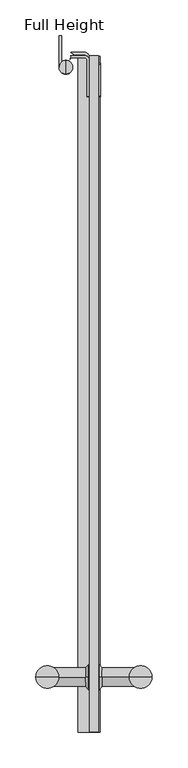
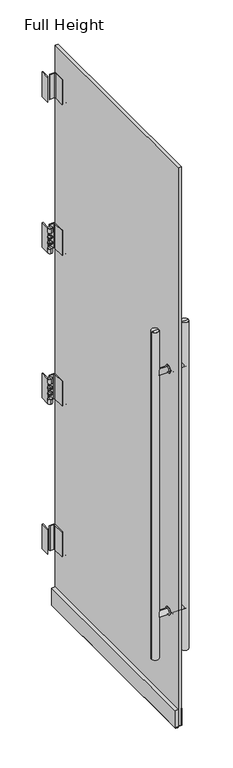
"""IFC4 building model written with IfcOpenShell, lengths in millimetres: plate geometry, Full Height."""

from ifc_helpers import new_model, si_unit, point, frame, frame_2d, origin, place, context, project, spatial, polyline, circle_curve, ellipse_curve, trimmed, segment, composite_curve, outline, extrude, source, transform, mapped, element, save
from ifc_brep_helpers import plane_surface, cylinder_surface, revolved_surface, advanced_brep


def full_height_ee386d32(model_context):
    return source(origin(), model_context, "Body", "SolidModel", [
        advanced_brep(
        [(-420.261187, -888.248974, 491.3249), (-420.261187, -888.248974, 516.7249), (-432.961187, -888.248974, 516.7249), (-432.961187, -888.248974, 491.3249), (-420.261187, -888.248974, 486.5249), (-420.261187, -888.248974, 521.5249), (-418.991187, -888.248974, 486.5249), (-418.991187, -888.248974, 521.5249), (-415.181187, -888.248974, 491.3249), (-415.181187, -888.248974, 516.7249), (-361.523687, -888.248974, 491.3249), (-361.523687, -888.248974, 516.7249), (-361.523687, -888.248974, 504.0249), (-491.698687, -888.248974, 491.3249), (-491.698687, -888.248974, 516.7249), (-491.698687, -888.248974, 504.0249), (-438.041187, -888.248974, 491.3249), (-438.041187, -888.248974, 516.7249), (-434.231187, -888.248974, 486.5249), (-434.231187, -888.248974, 521.5249), (-432.961187, -888.248974, 486.5249), (-432.961187, -888.248974, 521.5249)],
        [
            (0, 1, circle_curve(frame((-420.261187, -888.248974, 504.0249), z_axis=(-1.0, 0.0, 0.0), x_axis=(0.0, 0.0, 1.0)), 12.7)),
            (1, 2),
            (2, 3, circle_curve(frame((-432.961187, -888.248974, 504.0249), z_axis=(1.0, 0.0, 0.0), x_axis=(0.0, 0.0, 1.0)), 12.7)),
            (3, 0),
            (4, 5, circle_curve(frame((-420.261187, -888.248974, 504.0249), z_axis=(-1.0, 0.0, 0.0), x_axis=(0.0, 0.0, 1.0)), 17.5)),
            (5, 1),
            (0, 4),
            (6, 7, circle_curve(frame((-418.991187, -888.248974, 504.0249), z_axis=(-1.0, 0.0, 0.0), x_axis=(0.0, 0.0, 1.0)), 17.5)),
            (7, 5),
            (4, 6),
            (7, 6, circle_curve(frame((-418.991187, -888.248974, 504.0249), z_axis=(-1.0, 0.0, 0.0), x_axis=(0.0, 0.0, 1.0)), 17.5)),
            (4, 5, circle_curve(frame((-420.261187, -888.248974, 504.0249), z_axis=(1.0, 0.0, 0.0), x_axis=(0.0, 0.0, 1.0)), 17.5)),
            (8, 9, circle_curve(frame((-415.181187, -888.248974, 504.0249), z_axis=(-1.0, 0.0, 0.0), x_axis=(0.0, 0.0, 1.0)), 12.7)),
            (9, 7),
            (6, 8),
            (9, 8, circle_curve(frame((-415.181187, -888.248974, 504.0249), z_axis=(-1.0, 0.0, 0.0), x_axis=(0.0, 0.0, 1.0)), 12.7)),
            (10, 11, circle_curve(frame((-361.523687, -888.248974, 504.0249), z_axis=(-1.0, 0.0, 0.0), x_axis=(0.0, 0.0, 1.0)), 12.7)),
            (11, 9),
            (8, 10),
            (11, 10, circle_curve(frame((-361.523687, -888.248974, 504.0249), z_axis=(-1.0, 0.0, 0.0), x_axis=(0.0, 0.0, 1.0)), 12.7)),
            (12, 10),
            (11, 12),
            (13, 14, circle_curve(frame((-491.698687, -888.248974, 504.0249), z_axis=(-1.0, 0.0, 0.0), x_axis=(0.0, 0.0, 1.0)), 12.7)),
            (14, 15),
            (15, 13),
            (14, 13, circle_curve(frame((-491.698687, -888.248974, 504.0249), z_axis=(-1.0, 0.0, 0.0), x_axis=(0.0, 0.0, 1.0)), 12.7)),
            (16, 17, circle_curve(frame((-438.041187, -888.248974, 504.0249), z_axis=(-1.0, 0.0, 0.0), x_axis=(0.0, 0.0, 1.0)), 12.7)),
            (17, 14),
            (13, 16),
            (17, 16, circle_curve(frame((-438.041187, -888.248974, 504.0249), z_axis=(-1.0, 0.0, 0.0), x_axis=(0.0, 0.0, 1.0)), 12.7)),
            (18, 19, circle_curve(frame((-434.231187, -888.248974, 504.0249), z_axis=(-1.0, 0.0, 0.0), x_axis=(0.0, 0.0, 1.0)), 17.5)),
            (19, 17),
            (16, 18),
            (19, 18, circle_curve(frame((-434.231187, -888.248974, 504.0249), z_axis=(-1.0, 0.0, 0.0), x_axis=(0.0, 0.0, 1.0)), 17.5)),
            (20, 21, circle_curve(frame((-432.961187, -888.248974, 504.0249), z_axis=(-1.0, 0.0, 0.0), x_axis=(0.0, 0.0, 1.0)), 17.5)),
            (21, 19),
            (18, 20),
            (21, 20, circle_curve(frame((-432.961187, -888.248974, 504.0249), z_axis=(-1.0, 0.0, 0.0), x_axis=(0.0, 0.0, 1.0)), 17.5)),
            (2, 21),
            (20, 3),
            (2, 3, circle_curve(frame((-432.961187, -888.248974, 504.0249), z_axis=(-1.0, 0.0, 0.0), x_axis=(0.0, 0.0, 1.0)), 12.7)),
            (1, 0, circle_curve(frame((-420.261187, -888.248974, 504.0249), z_axis=(-1.0, 0.0, 0.0), x_axis=(0.0, 0.0, 1.0)), 12.7)),
        ],
        [
            cylinder_surface(frame((-361.523687, -888.248974, 504.0249), z_axis=(1.0, 0.0, 0.0), x_axis=(0.0, 0.0, 1.0)), 12.7),
            plane_surface(frame((-420.261187, -888.248974, 504.0249), z_axis=(-1.0, 0.0, 0.0), x_axis=(0.0, 0.0, 1.0))),
            cylinder_surface(frame((-361.523687, -888.248974, 504.0249), z_axis=(1.0, 0.0, 0.0), x_axis=(0.0, 0.0, 1.0)), 17.5),
            revolved_surface(polyline([(-418.991187, -888.248974, 521.5249), (-415.181187, -888.248974, 516.7249)]), (-361.523687, -888.248974, 504.0249), (1.0, 0.0, 0.0)),
            plane_surface(frame((-361.523687, -888.248974, 504.0249), z_axis=(1.0, 0.0, 0.0), x_axis=(0.0, 0.0, 1.0))),
            plane_surface(frame((-491.698687, -888.248974, 504.0249), z_axis=(-1.0, 0.0, 0.0), x_axis=(0.0, 0.0, 1.0))),
            revolved_surface(polyline([(-438.041187, -888.248974, 516.7249), (-434.231187, -888.248974, 521.5249)]), (-361.523687, -888.248974, 504.0249), (1.0, 0.0, 0.0)),
            plane_surface(frame((-432.961187, -888.248974, 504.0249), z_axis=(1.0, 0.0, 0.0), x_axis=(0.0, 0.0, 1.0))),
        ],
        [
            (0, [[1, 2, 3, 4]]),
            (1, [[5, 6, -1, 7]]),
            (2, [[8, 9, -5, 10]]),
            (2, [[11, -10, 12, -9]]),
            (3, [[13, 14, -8, 15]]),
            (3, [[16, -15, -11, -14]]),
            (0, [[17, 18, -13, 19]]),
            (0, [[20, -19, -16, -18]]),
            (4, [[21, -20, 22]]),
            (5, [[23, 24, 25]]),
            (5, [[26, -25, -24]]),
            (0, [[27, 28, -23, 29]]),
            (0, [[30, -29, -26, -28]]),
            (6, [[31, 32, -27, 33]]),
            (6, [[34, -33, -30, -32]]),
            (2, [[35, 36, -31, 37]]),
            (2, [[38, -37, -34, -36]]),
            (7, [[-3, 39, -35, 40]]),
            (7, [[41, -40, -38, -39]]),
            (0, [[42, -4, -41, -2]]),
            (1, [[-12, -7, -42, -6]]),
            (4, [[-22, -17, -21]]),
        ],
    ),
        advanced_brep(
        [(-418.991187, -888.248974, 1647.0751), (-418.991187, -888.248974, 1612.0751), (-415.181187, -888.248974, 1616.8751), (-415.181187, -888.248974, 1642.2751), (-420.261187, -888.248974, 1616.8751), (-420.261187, -888.248974, 1642.2751), (-420.261187, -888.248974, 1647.0751), (-420.261187, -888.248974, 1612.0751), (-432.961187, -888.248974, 1612.0751), (-432.961187, -888.248974, 1647.0751), (-432.961187, -888.248974, 1642.2751), (-432.961187, -888.248974, 1616.8751), (-491.698687, -888.248974, 1616.8751), (-491.698687, -888.248974, 1642.2751), (-438.041187, -888.248974, 1642.2751), (-438.041187, -888.248974, 1616.8751), (-491.698687, -888.248974, 1629.5751), (-361.523687, -888.248974, 1616.8751), (-361.523687, -888.248974, 1642.2751), (-361.523687, -888.248974, 1629.5751), (-434.231187, -888.248974, 1647.0751), (-434.231187, -888.248974, 1612.0751)],
        [
            (0, 1, circle_curve(frame((-418.991187, -888.248974, 1629.5751), z_axis=(1.0, 0.0, 0.0), x_axis=(0.0, 0.0, -1.0)), 17.5)),
            (1, 2),
            (2, 3, circle_curve(frame((-415.181187, -888.248974, 1629.5751), z_axis=(-1.0, 0.0, 0.0), x_axis=(0.0, 0.0, -1.0)), 12.7)),
            (3, 0),
            (4, 5, circle_curve(frame((-420.261187, -888.248974, 1629.5751), z_axis=(1.0, 0.0, 0.0), x_axis=(0.0, 0.0, -1.0)), 12.7)),
            (5, 6),
            (6, 7, circle_curve(frame((-420.261187, -888.248974, 1629.5751), z_axis=(-1.0, 0.0, 0.0), x_axis=(0.0, 0.0, -1.0)), 17.5)),
            (7, 4),
            (8, 9, circle_curve(frame((-432.961187, -888.248974, 1629.5751), z_axis=(1.0, 0.0, 0.0), x_axis=(0.0, 0.0, -1.0)), 17.5)),
            (9, 10),
            (10, 11, circle_curve(frame((-432.961187, -888.248974, 1629.5751), z_axis=(-1.0, 0.0, 0.0), x_axis=(0.0, 0.0, -1.0)), 12.7)),
            (11, 8),
            (12, 13, circle_curve(frame((-491.698687, -888.248974, 1629.5751), z_axis=(1.0, 0.0, 0.0), x_axis=(0.0, 0.0, -1.0)), 12.7)),
            (13, 14),
            (14, 15, circle_curve(frame((-438.041187, -888.248974, 1629.5751), z_axis=(-1.0, 0.0, 0.0), x_axis=(0.0, 0.0, -1.0)), 12.7)),
            (15, 12),
            (16, 12),
            (12, 13, circle_curve(frame((-491.698687, -888.248974, 1629.5751), z_axis=(-1.0, 0.0, 0.0), x_axis=(0.0, 0.0, -1.0)), 12.7)),
            (13, 16),
            (17, 18, circle_curve(frame((-361.523687, -888.248974, 1629.5751), z_axis=(1.0, 0.0, 0.0), x_axis=(0.0, 0.0, -1.0)), 12.7)),
            (18, 19),
            (19, 17),
            (5, 4, circle_curve(frame((-420.261187, -888.248974, 1629.5751), z_axis=(1.0, 0.0, 0.0), x_axis=(0.0, 0.0, -1.0)), 12.7)),
            (7, 6, circle_curve(frame((-420.261187, -888.248974, 1629.5751), z_axis=(-1.0, 0.0, 0.0), x_axis=(0.0, 0.0, -1.0)), 17.5)),
            (18, 17, circle_curve(frame((-361.523687, -888.248974, 1629.5751), z_axis=(1.0, 0.0, 0.0), x_axis=(0.0, 0.0, -1.0)), 12.7)),
            (2, 17),
            (18, 3),
            (2, 3, circle_curve(frame((-415.181187, -888.248974, 1629.5751), z_axis=(1.0, 0.0, 0.0), x_axis=(0.0, 0.0, -1.0)), 12.7)),
            (1, 0, circle_curve(frame((-418.991187, -888.248974, 1629.5751), z_axis=(1.0, 0.0, 0.0), x_axis=(0.0, 0.0, -1.0)), 17.5)),
            (7, 1),
            (0, 6),
            (10, 11, circle_curve(frame((-432.961187, -888.248974, 1629.5751), z_axis=(1.0, 0.0, 0.0), x_axis=(0.0, 0.0, -1.0)), 12.7)),
            (11, 4),
            (5, 10),
            (9, 8, circle_curve(frame((-432.961187, -888.248974, 1629.5751), z_axis=(1.0, 0.0, 0.0), x_axis=(0.0, 0.0, -1.0)), 17.5)),
            (20, 21, circle_curve(frame((-434.231187, -888.248974, 1629.5751), z_axis=(1.0, 0.0, 0.0), x_axis=(0.0, 0.0, -1.0)), 17.5)),
            (21, 8),
            (9, 20),
            (21, 20, circle_curve(frame((-434.231187, -888.248974, 1629.5751), z_axis=(1.0, 0.0, 0.0), x_axis=(0.0, 0.0, -1.0)), 17.5)),
            (14, 15, circle_curve(frame((-438.041187, -888.248974, 1629.5751), z_axis=(1.0, 0.0, 0.0), x_axis=(0.0, 0.0, -1.0)), 12.7)),
            (15, 21),
            (20, 14),
        ],
        [
            revolved_surface(polyline([(-415.181187, -888.248974, 1616.8751), (-418.991187, -888.248974, 1612.0751)]), (-361.523687, -888.248974, 1629.5751), (-1.0, 0.0, 0.0)),
            plane_surface(frame((-420.261187, -888.248974, 1629.5751), z_axis=(-1.0, 0.0, 0.0), x_axis=(0.0, 0.0, -1.0))),
            plane_surface(frame((-432.961187, -888.248974, 1629.5751), z_axis=(1.0, 0.0, 0.0), x_axis=(0.0, 0.0, -1.0))),
            cylinder_surface(frame((-361.523687, -888.248974, 1629.5751), z_axis=(-1.0, 0.0, 0.0), x_axis=(0.0, 0.0, -1.0)), 12.7),
            plane_surface(frame((-491.698687, -888.248974, 1629.5751), z_axis=(-1.0, 0.0, 0.0), x_axis=(0.0, 0.0, -1.0))),
            plane_surface(frame((-361.523687, -888.248974, 1629.5751), z_axis=(1.0, 0.0, 0.0), x_axis=(0.0, 0.0, -1.0))),
            cylinder_surface(frame((-361.523687, -888.248974, 1629.5751), z_axis=(-1.0, 0.0, 0.0), x_axis=(0.0, 0.0, -1.0)), 17.5),
            revolved_surface(polyline([(-434.231187, -888.248974, 1612.0751), (-438.041187, -888.248974, 1616.8751)]), (-361.523687, -888.248974, 1629.5751), (-1.0, 0.0, 0.0)),
        ],
        [
            (0, [[1, 2, 3, 4]]),
            (1, [[5, 6, 7, 8]]),
            (2, [[9, 10, 11, 12]]),
            (3, [[13, 14, 15, 16]]),
            (4, [[17, 18, 19]]),
            (4, [[-19, -13, -17]]),
            (5, [[20, 21, 22]]),
            (1, [[23, -8, 24, -6]]),
            (5, [[25, -22, -21]]),
            (3, [[-3, 26, -25, 27]]),
            (3, [[28, -27, -20, -26]]),
            (0, [[29, -4, -28, -2]]),
            (6, [[-24, 30, -1, 31]]),
            (6, [[-7, -31, -29, -30]]),
            (3, [[32, 33, -23, 34]]),
            (3, [[-11, -34, -5, -33]]),
            (2, [[35, -12, -32, -10]]),
            (6, [[36, 37, -35, 38]]),
            (6, [[39, -38, -9, -37]]),
            (7, [[40, 41, -36, 42]]),
            (7, [[-15, -42, -39, -41]]),
            (3, [[-18, -16, -40, -14]]),
        ],
    ),
        advanced_brep(
        [(-475.823687, -888.248974, 1828.8), (-507.573687, -888.248974, 1828.8), (-491.698687, -888.248974, 1828.8), (-475.823687, -888.248974, 304.8), (-507.573687, -888.248974, 304.8), (-491.698687, -888.248974, 304.8)],
        [
            (0, 1, circle_curve(frame((-491.698687, -888.248974, 1828.8), z_axis=(0.0, 0.0, 1.0), x_axis=(1.0, 0.0, 0.0)), 15.875)),
            (1, 2),
            (2, 0),
            (3, 4, circle_curve(frame((-491.698687, -888.248974, 304.8), z_axis=(0.0, 0.0, 1.0), x_axis=(1.0, 0.0, 0.0)), 15.875)),
            (4, 1),
            (0, 3),
            (1, 0, circle_curve(frame((-491.698687, -888.248974, 1828.8), z_axis=(0.0, 0.0, 1.0), x_axis=(1.0, 0.0, 0.0)), 15.875)),
            (5, 3),
            (3, 4, circle_curve(frame((-491.698687, -888.248974, 304.8), z_axis=(0.0, 0.0, -1.0), x_axis=(1.0, 0.0, 0.0)), 15.875)),
            (4, 5),
        ],
        [
            plane_surface(frame((-491.698687, -888.248974, 1828.8), z_axis=(0.0, 0.0, 1.0), x_axis=(1.0, 0.0, 0.0))),
            cylinder_surface(frame((-491.698687, -888.248974, 304.8), z_axis=(0.0, 0.0, -1.0), x_axis=(1.0, 0.0, 0.0)), 15.875),
            plane_surface(frame((-491.698687, -888.248974, 304.8), z_axis=(0.0, 0.0, -1.0), x_axis=(1.0, 0.0, 0.0))),
        ],
        [
            (0, [[1, 2, 3]]),
            (1, [[4, 5, -1, 6]]),
            (0, [[7, -3, -2]]),
            (2, [[8, 9, 10]]),
            (1, [[-9, -6, -7, -5]]),
            (2, [[-10, -4, -8]]),
        ],
    ),
        advanced_brep(
        [(-345.648687, -888.248974, 1828.8), (-377.398687, -888.248974, 1828.8), (-361.523687, -888.248974, 1828.8), (-377.398687, -888.248974, 304.8), (-345.648687, -888.248974, 304.8), (-361.523687, -888.248974, 304.8)],
        [
            (0, 1, circle_curve(frame((-361.523687, -888.248974, 1828.8), z_axis=(0.0, 0.0, 1.0), x_axis=(1.0, 0.0, 0.0)), 15.875)),
            (1, 2),
            (2, 0),
            (3, 4, circle_curve(frame((-361.523687, -888.248974, 304.8), z_axis=(0.0, 0.0, 1.0), x_axis=(1.0, 0.0, 0.0)), 15.875)),
            (4, 0),
            (0, 1, circle_curve(frame((-361.523687, -888.248974, 1828.8), z_axis=(0.0, 0.0, -1.0), x_axis=(1.0, 0.0, 0.0)), 15.875)),
            (1, 3),
            (4, 3, circle_curve(frame((-361.523687, -888.248974, 304.8), z_axis=(0.0, 0.0, 1.0), x_axis=(1.0, 0.0, 0.0)), 15.875)),
            (5, 4),
            (3, 5),
        ],
        [
            plane_surface(frame((-361.523687, -888.248974, 1828.8), z_axis=(0.0, 0.0, 1.0), x_axis=(1.0, 0.0, 0.0))),
            cylinder_surface(frame((-361.523687, -888.248974, 304.8), z_axis=(0.0, 0.0, -1.0), x_axis=(1.0, 0.0, 0.0)), 15.875),
            plane_surface(frame((-361.523687, -888.248974, 304.8), z_axis=(0.0, 0.0, -1.0), x_axis=(1.0, 0.0, 0.0))),
        ],
        [
            (0, [[1, 2, 3]]),
            (1, [[4, 5, 6, 7]]),
            (0, [[-6, -3, -2]]),
            (1, [[8, -7, -1, -5]]),
            (2, [[9, -4, 10]]),
            (2, [[-10, -8, -9]]),
        ],
    ),
        extrude(outline(composite_curve([segment(polyline([(10.668, -446.931187), (8.382, -446.931187)]), True, "CONTINUOUS"), segment(trimmed(circle_curve(frame_2d((8.382, -444.899187)), 2.032), [point((8.382, -446.931187))], [point((6.35, -444.899187))], False, "CARTESIAN"), True, "CONTINUOUS"), segment(polyline([(6.35, -444.899187), (6.35, -434.993187)]), True, "CONTINUOUS"), segment(trimmed(circle_curve(frame_2d((8.382, -434.993187)), 2.032), [point((6.35, -434.993187))], [point((8.382, -432.961187))], False, "CARTESIAN"), True, "CONTINUOUS"), segment(polyline([(8.382, -432.961187), (10.668, -432.961187), (10.668, -446.931187)]), True, "CONTINUOUS")], self_intersect=False)), frame((0.0, -964.448974, 0.0), z_axis=(0.0, 1.0, 0.0), x_axis=(0.0, 0.0, 1.0)), (0.0, 0.0, 1.0), 939.785574),
        extrude(outline(polyline([(90.932, -420.261187), (12.7, -420.261187), (12.7, -432.961187), (90.932, -432.961187), (90.932, -448.963187), (10.668, -448.963187), (10.668, -418.229187), (90.932, -418.229187), (90.932, -420.261187)])), frame((0.0, -964.448974, 0.0), z_axis=(0.0, 1.0, 0.0), x_axis=(0.0, 0.0, 1.0)), (0.0, 0.0, 1.0), 939.785574),
        extrude(outline(composite_curve([segment(trimmed(circle_curve(frame_2d((-80.0354, 1782.4873333)), 1.27), [point((-81.3054, 1782.4873333))], [point((-80.0354, 1783.7573333))], False, "CARTESIAN"), True, "CONTINUOUS"), segment(polyline([(-80.0354, 1783.7573333), (-36.576, 1783.7573333)]), True, "CONTINUOUS"), segment(trimmed(circle_curve(frame_2d((-36.576, 1782.4873333)), 1.27), [point((-36.576, 1783.7573333))], [point((-35.306, 1782.4873333))], False, "CARTESIAN"), True, "CONTINUOUS"), segment(polyline([(-35.306, 1782.4873333), (-35.306, 1670.7273333)]), True, "CONTINUOUS"), segment(trimmed(circle_curve(frame_2d((-36.576, 1670.7273333)), 1.27), [point((-35.306, 1670.7273333))], [point((-36.576, 1669.4573333))], False, "CARTESIAN"), True, "CONTINUOUS"), segment(polyline([(-36.576, 1669.4573333), (-80.0354, 1669.4573333)]), True, "CONTINUOUS"), segment(trimmed(circle_curve(frame_2d((-80.0354, 1670.7273333)), 1.27), [point((-80.0354, 1669.4573333))], [point((-81.3054, 1670.7273333))], False, "CARTESIAN"), True, "CONTINUOUS"), segment(polyline([(-81.3054, 1670.7273333), (-81.3054, 1782.4873333)]), True, "CONTINUOUS")], self_intersect=False)), frame((-420.261187, 0.0, 0.0), z_axis=(1.0, 0.0, 0.0), x_axis=(0.0, 1.0, 0.0)), (0.0, 0.0, 1.0), 3.048),
        extrude(outline(composite_curve([segment(polyline([(-81.3054, 969.3486667), (-81.3054, 1081.1086667)]), True, "CONTINUOUS"), segment(trimmed(circle_curve(frame_2d((-80.0354, 1081.1086667)), 1.27), [point((-81.3054, 1081.1086667))], [point((-80.0354, 1082.3786667))], False, "CARTESIAN"), True, "CONTINUOUS"), segment(polyline([(-80.0354, 1082.3786667), (-36.576, 1082.3786667)]), True, "CONTINUOUS"), segment(trimmed(circle_curve(frame_2d((-36.576, 1081.1086667)), 1.27), [point((-36.576, 1082.3786667))], [point((-35.306, 1081.1086667))], False, "CARTESIAN"), True, "CONTINUOUS"), segment(polyline([(-35.306, 1081.1086667), (-35.306, 969.3486667)]), True, "CONTINUOUS"), segment(trimmed(circle_curve(frame_2d((-36.576, 969.3486667)), 1.27), [point((-35.306, 969.3486667))], [point((-36.576, 968.0786667))], False, "CARTESIAN"), True, "CONTINUOUS"), segment(polyline([(-36.576, 968.0786667), (-80.0354, 968.0786667)]), True, "CONTINUOUS"), segment(trimmed(circle_curve(frame_2d((-80.0354, 969.3486667)), 1.27), [point((-80.0354, 968.0786667))], [point((-81.3054, 969.3486667))], False, "CARTESIAN"), True, "CONTINUOUS")], self_intersect=False)), frame((-420.261187, 0.0, 0.0), z_axis=(1.0, 0.0, 0.0), x_axis=(0.0, 1.0, 0.0)), (0.0, 0.0, 1.0), 3.048),
        extrude(outline(composite_curve([segment(trimmed(circle_curve(frame_2d((-463.542787, -27.8384)), 9.525), [point((-455.1729571, -23.2918))], [point((-458.2968415, -19.8882))], True, "CARTESIAN"), True, "CONTINUOUS"), segment(polyline([(-458.2968415, -19.8882), (-439.793787, -19.8882)]), True, "CONTINUOUS"), segment(trimmed(circle_curve(frame_2d((-439.793787, -26.7208)), 6.8326), [point((-439.793787, -19.8882))], [point((-432.961187, -26.7208))], False, "CARTESIAN"), True, "CONTINUOUS"), segment(polyline([(-432.961187, -26.7208), (-432.961187, -81.3054), (-436.364787, -81.3054), (-436.364787, -26.7208)]), True, "CONTINUOUS"), segment(trimmed(circle_curve(frame_2d((-439.793787, -26.7208)), 3.429), [point((-436.364787, -26.7208))], [point((-439.793787, -23.2918))], True, "CARTESIAN"), True, "CONTINUOUS"), segment(polyline([(-439.793787, -23.2918), (-455.1729571, -23.2918)]), True, "CONTINUOUS")], self_intersect=False)), frame((0.0, 0.0, 968.0786667), z_axis=(0.0, 0.0, 1.0), x_axis=(1.0, 0.0, 0.0)), (0.0, 0.0, 1.0), 114.3),
        extrude(outline(composite_curve([segment(polyline([(-436.364787, -81.3054), (-436.364787, -26.7208)]), True, "CONTINUOUS"), segment(trimmed(circle_curve(frame_2d((-439.793787, -26.7208)), 3.429), [point((-436.364787, -26.7208))], [point((-439.793787, -23.2918))], True, "CARTESIAN"), True, "CONTINUOUS"), segment(polyline([(-439.793787, -23.2918), (-455.1729571, -23.2918)]), True, "CONTINUOUS"), segment(trimmed(circle_curve(frame_2d((-463.542787, -27.8384)), 9.525), [point((-455.1729571, -23.2918))], [point((-458.2968415, -19.8882))], True, "CARTESIAN"), True, "CONTINUOUS"), segment(polyline([(-458.2968415, -19.8882), (-439.793787, -19.8882)]), True, "CONTINUOUS"), segment(trimmed(circle_curve(frame_2d((-439.793787, -26.7208)), 6.8326), [point((-439.793787, -19.8882))], [point((-432.961187, -26.7208))], False, "CARTESIAN"), True, "CONTINUOUS"), segment(polyline([(-432.961187, -26.7208), (-432.961187, -81.3054), (-436.364787, -81.3054)]), True, "CONTINUOUS")], self_intersect=False)), frame((0.0, 0.0, 1669.4573333), z_axis=(0.0, 0.0, 1.0), x_axis=(1.0, 0.0, 0.0)), (0.0, 0.0, 1.0), 114.3),
        extrude(outline(composite_curve([segment(polyline([(-458.8847263, -24.6634), (-439.057187, -24.6634)]), True, "CONTINUOUS"), segment(trimmed(circle_curve(frame_2d((-439.057187, -30.7594)), 6.096), [point((-439.057187, -24.6634))], [point((-432.961187, -30.7594))], False, "CARTESIAN"), True, "CONTINUOUS"), segment(polyline([(-432.961187, -30.7594), (-432.961187, -81.3054), (-436.009187, -81.3054), (-436.009187, -30.7594)]), True, "CONTINUOUS"), segment(trimmed(circle_curve(frame_2d((-439.057187, -30.7594)), 3.048), [point((-436.009187, -30.7594))], [point((-439.057187, -27.7114))], True, "CARTESIAN"), True, "CONTINUOUS"), segment(polyline([(-439.057187, -27.7114), (-456.8932891, -27.7114)]), True, "CONTINUOUS"), segment(trimmed(circle_curve(frame_2d((-456.8932891, -31.5214)), 3.81), [point((-456.8932891, -27.7114))], [point((-460.0546256, -29.3948884))], True, "CARTESIAN"), True, "CONTINUOUS"), segment(trimmed(circle_curve(frame_2d((-465.955787, -25.4254)), 7.112), [point((-460.0546256, -29.3948884))], [point((-458.8847263, -24.6634))], True, "CARTESIAN"), True, "CONTINUOUS")], self_intersect=False)), frame((0.0, 0.0, 2370.836), z_axis=(0.0, 0.0, 1.0), x_axis=(1.0, 0.0, 0.0)), (0.0, 0.0, 1.0), 114.3),
        extrude(outline(composite_curve([segment(trimmed(circle_curve(frame_2d((-36.576, 379.73)), 1.27), [point((-36.576, 381.0))], [point((-35.306, 379.73))], False, "CARTESIAN"), True, "CONTINUOUS"), segment(polyline([(-35.306, 379.73), (-35.306, 267.97)]), True, "CONTINUOUS"), segment(trimmed(circle_curve(frame_2d((-36.576, 267.97)), 1.27), [point((-35.306, 267.97))], [point((-36.576, 266.7))], False, "CARTESIAN"), True, "CONTINUOUS"), segment(polyline([(-36.576, 266.7), (-80.0354, 266.7)]), True, "CONTINUOUS"), segment(trimmed(circle_curve(frame_2d((-80.0354, 267.97)), 1.27), [point((-80.0354, 266.7))], [point((-81.3054, 267.97))], False, "CARTESIAN"), True, "CONTINUOUS"), segment(polyline([(-81.3054, 267.97), (-81.3054, 379.73)]), True, "CONTINUOUS"), segment(trimmed(circle_curve(frame_2d((-80.0354, 379.73)), 1.27), [point((-81.3054, 379.73))], [point((-80.0354, 381.0))], False, "CARTESIAN"), True, "CONTINUOUS"), segment(polyline([(-80.0354, 381.0), (-36.576, 381.0)]), True, "CONTINUOUS")], self_intersect=False)), frame((-420.261187, 0.0, 0.0), z_axis=(1.0, 0.0, 0.0), x_axis=(0.0, 1.0, 0.0)), (0.0, 0.0, 1.0), 3.048),
        extrude(outline(composite_curve([segment(trimmed(circle_curve(frame_2d((-36.576, 2483.866)), 1.27), [point((-36.576, 2485.136))], [point((-35.306, 2483.866))], False, "CARTESIAN"), True, "CONTINUOUS"), segment(polyline([(-35.306, 2483.866), (-35.306, 2372.106)]), True, "CONTINUOUS"), segment(trimmed(circle_curve(frame_2d((-36.576, 2372.106)), 1.27), [point((-35.306, 2372.106))], [point((-36.576, 2370.836))], False, "CARTESIAN"), True, "CONTINUOUS"), segment(polyline([(-36.576, 2370.836), (-80.0354, 2370.836)]), True, "CONTINUOUS"), segment(trimmed(circle_curve(frame_2d((-80.0354, 2372.106)), 1.27), [point((-80.0354, 2370.836))], [point((-81.3054, 2372.106))], False, "CARTESIAN"), True, "CONTINUOUS"), segment(polyline([(-81.3054, 2372.106), (-81.3054, 2483.866)]), True, "CONTINUOUS"), segment(trimmed(circle_curve(frame_2d((-80.0354, 2483.866)), 1.27), [point((-81.3054, 2483.866))], [point((-80.0354, 2485.136))], False, "CARTESIAN"), True, "CONTINUOUS"), segment(polyline([(-80.0354, 2485.136), (-36.576, 2485.136)]), True, "CONTINUOUS")], self_intersect=False)), frame((-420.261187, 0.0, 0.0), z_axis=(1.0, 0.0, 0.0), x_axis=(0.0, 1.0, 0.0)), (0.0, 0.0, 1.0), 3.048),
        extrude(outline(composite_curve([segment(trimmed(circle_curve(frame_2d((-439.793787, -26.7208)), 6.8326), [point((-439.793787, -19.8882))], [point((-432.961187, -26.7208))], False, "CARTESIAN"), True, "CONTINUOUS"), segment(polyline([(-432.961187, -26.7208), (-432.961187, -81.3054), (-436.364787, -81.3054), (-436.364787, -26.7208)]), True, "CONTINUOUS"), segment(trimmed(circle_curve(frame_2d((-439.793787, -26.7208)), 3.429), [point((-436.364787, -26.7208))], [point((-439.793787, -23.2918))], True, "CARTESIAN"), True, "CONTINUOUS"), segment(polyline([(-439.793787, -23.2918), (-455.1729571, -23.2918)]), True, "CONTINUOUS"), segment(trimmed(circle_curve(frame_2d((-463.542787, -27.8384)), 9.525), [point((-455.1729571, -23.2918))], [point((-458.2968415, -19.8882))], True, "CARTESIAN"), True, "CONTINUOUS"), segment(polyline([(-458.2968415, -19.8882), (-439.793787, -19.8882)]), True, "CONTINUOUS")], self_intersect=False)), frame((0.0, 0.0, 266.7), z_axis=(0.0, 0.0, 1.0), x_axis=(1.0, 0.0, 0.0)), (0.0, 0.0, 1.0), 114.3),
        extrude(outline(polyline([(-432.961187, -964.448974), (-432.961187, -24.6634), (-420.261187, -24.6634), (-420.261187, -964.448974), (-432.961187, -964.448974)])), frame((0.0, 0.0, 12.7), z_axis=(0.0, 0.0, 1.0), x_axis=(1.0, 0.0, 0.0)), (0.0, 0.0, 1.0), 2599.436),
        extrude(outline(composite_curve([segment(polyline([(-475.353787, -40.4876), (-475.353787, 2.794), (-471.950187, 2.794), (-471.950187, -33.1900602)]), True, "CONTINUOUS"), segment(trimmed(circle_curve(frame_2d((-465.828787, -40.4876)), 9.525), [point((-471.950187, -33.1900602))], [point((-475.353787, -40.4876))], True, "CARTESIAN"), True, "CONTINUOUS")], self_intersect=False)), frame((0.0, 0.0, 1669.4573333), z_axis=(0.0, 0.0, 1.0), x_axis=(1.0, 0.0, 0.0)), (0.0, 0.0, 1.0), 114.3),
        extrude(outline(composite_curve([segment(trimmed(circle_curve(frame_2d((-40.4876, -465.828787)), 9.525), [point((-40.4876, -475.353787))], [point((-33.1900602, -471.950187))], True, "CARTESIAN"), True, "CONTINUOUS"), segment(polyline([(-33.1900602, -471.950187), (2.794, -471.950187), (2.794, -475.353787), (-40.4876, -475.353787)]), True, "CONTINUOUS")], self_intersect=False)), frame((0.0, 0.0, 1082.3786667), z_axis=(0.0, 0.0, -1.0), x_axis=(0.0, 1.0, 0.0)), (0.0, 0.0, 1.0), 114.3),
        advanced_brep(
        [(-475.353787, 2.794, 2370.836), (-471.950187, 2.794, 2370.836), (-471.950187, -33.1900602, 2370.836), (-475.353787, -40.4876, 2370.836), (-471.950187, 2.794, 2485.136), (-471.950187, -33.1900602, 2485.136), (-475.353787, 2.794, 2485.136), (-475.353787, -40.4876, 2485.136)],
        [
            (0, 1),
            (1, 2),
            (2, 3, circle_curve(frame((-465.828787, -40.4876, 2370.836), z_axis=(0.0, 0.0, 1.0), x_axis=(-1.0, 0.0, 0.0)), 9.525)),
            (3, 0),
            (4, 5),
            (5, 2),
            (1, 4),
            (6, 7),
            (7, 5, circle_curve(frame((-465.828787, -40.4876, 2485.136), z_axis=(0.0, 0.0, -1.0), x_axis=(-1.0, 0.0, 0.0)), 9.525)),
            (4, 6),
            (6, 0),
            (3, 7),
        ],
        [
            plane_surface(frame((-475.353787, 2.794, 2370.836), z_axis=(0.0, 0.0, -1.0), x_axis=(0.0, 1.0, 0.0))),
            plane_surface(frame((-471.950187, -33.1900602, 2485.136), z_axis=(1.0, 0.0, 0.0), x_axis=(0.0, 0.0, -1.0))),
            plane_surface(frame((-475.353787, 2.794, 2485.136), z_axis=(0.0, 0.0, 1.0), x_axis=(0.0, -1.0, 0.0))),
            plane_surface(frame((-475.353787, 2.794, 2485.136), z_axis=(-1.0, 0.0, 0.0), x_axis=(0.0, 0.0, -1.0))),
            revolved_surface(polyline([(-475.35378699999995, -40.4876, 2370.836), (-475.35378699999995, -40.4876, 2485.136)]), (-465.828787, -40.4876, 2370.836), (0.0, 0.0, -1.0)),
            plane_surface(frame((-471.950187, 2.794, 2485.136), z_axis=(0.0, 1.0, 0.0), x_axis=(0.0, 0.0, -1.0))),
        ],
        [
            (0, [[1, 2, 3, 4]]),
            (1, [[5, 6, -2, 7]]),
            (2, [[8, 9, -5, 10]]),
            (3, [[-8, 11, -4, 12]]),
            (4, [[-9, -12, -3, -6]]),
            (5, [[-10, -7, -1, -11]]),
        ],
    ),
        extrude(outline(composite_curve([segment(polyline([(-475.353787, -40.4876), (-475.353787, 2.794), (-471.950187, 2.794), (-471.950187, -33.1900602)]), True, "CONTINUOUS"), segment(trimmed(circle_curve(frame_2d((-465.828787, -40.4876)), 9.525), [point((-471.950187, -33.1900602))], [point((-475.353787, -40.4876))], True, "CARTESIAN"), True, "CONTINUOUS")], self_intersect=False)), frame((0.0, 0.0, 266.7), z_axis=(0.0, 0.0, 1.0), x_axis=(1.0, 0.0, 0.0)), (0.0, 0.0, 1.0), 114.3),
        advanced_brep(
        [(-465.828787, -30.9626, 1715.9393333), (-465.828787, -50.0126, 1715.9393333), (-465.828787, -49.5046, 1716.4473333), (-465.828787, -31.4706, 1716.4473333), (-465.828787, -50.0126, 1710.6053333), (-465.828787, -30.9626, 1710.6053333), (-465.828787, -40.4876, 1716.4473333), (-465.828787, -40.4876, 1710.0973333), (-465.828787, -49.5046, 1710.0973333), (-465.828787, -31.4706, 1710.0973333)],
        [
            (0, 1, circle_curve(frame((-465.828787, -40.4876, 1715.9393333), z_axis=(0.0, 0.0, 1.0), x_axis=(0.0, -1.0, 0.0)), 9.525)),
            (1, 2, circle_curve(frame((-465.828787, -49.5046, 1715.9393333), z_axis=(-1.0, 0.0, 0.0), x_axis=(0.0, 1.0, 0.0)), 0.508)),
            (2, 3, circle_curve(frame((-465.828787, -40.4876, 1716.4473333), z_axis=(0.0, 0.0, -1.0), x_axis=(0.0, -1.0, 0.0)), 9.017)),
            (3, 0, circle_curve(frame((-465.828787, -31.4706, 1715.9393333), z_axis=(-1.0, 0.0, 0.0), x_axis=(0.0, -1.0, 0.0)), 0.508)),
            (4, 5, circle_curve(frame((-465.828787, -40.4876, 1710.6053333), z_axis=(0.0, 0.0, 1.0), x_axis=(0.0, -1.0, 0.0)), 9.525)),
            (5, 0),
            (0, 1, circle_curve(frame((-465.828787, -40.4876, 1715.9393333), z_axis=(0.0, 0.0, -1.0), x_axis=(0.0, -1.0, 0.0)), 9.525)),
            (1, 4),
            (2, 3, circle_curve(frame((-465.828787, -40.4876, 1716.4473333), z_axis=(0.0, 0.0, 1.0), x_axis=(0.0, -1.0, 0.0)), 9.017)),
            (3, 6),
            (6, 2),
            (5, 4, circle_curve(frame((-465.828787, -40.4876, 1710.6053333), z_axis=(0.0, 0.0, 1.0), x_axis=(0.0, -1.0, 0.0)), 9.525)),
            (7, 8),
            (8, 9, circle_curve(frame((-465.828787, -40.4876, 1710.0973333), z_axis=(0.0, 0.0, -1.0), x_axis=(0.0, -1.0, 0.0)), 9.017)),
            (9, 7),
            (9, 8, circle_curve(frame((-465.828787, -40.4876, 1710.0973333), z_axis=(0.0, 0.0, -1.0), x_axis=(0.0, -1.0, 0.0)), 9.017)),
            (8, 4, circle_curve(frame((-465.828787, -49.5046, 1710.6053333), z_axis=(-1.0, 0.0, 0.0), x_axis=(0.0, 1.0, 0.0)), 0.508)),
            (5, 9, circle_curve(frame((-465.828787, -31.4706, 1710.6053333), z_axis=(-1.0, 0.0, 0.0), x_axis=(0.0, -1.0, 0.0)), 0.508)),
        ],
        [
            revolved_surface(trimmed(ellipse_curve(frame((-465.828787, -49.5046, 1715.9393333), z_axis=(1.0, 0.0, 0.0), x_axis=(0.0, 1.0, 0.0)), 0.508, 0.508), [point((-465.828787, -49.5046, 1716.4473333))], [point((-465.828787, -50.0126, 1715.9393333))], True, "CARTESIAN"), (-465.828787, -40.4876, 1605.9573333), (0.0, 0.0, -1.0)),
            cylinder_surface(frame((-465.828787, -40.4876, 1605.9573333), z_axis=(0.0, 0.0, -1.0), x_axis=(0.0, -1.0, 0.0)), 9.525),
            plane_surface(frame((-465.828787, -40.4876, 1716.4473333), z_axis=(0.0, 0.0, 1.0), x_axis=(0.0, -1.0, 0.0))),
            plane_surface(frame((-465.828787, -40.4876, 1710.0973333), z_axis=(0.0, 0.0, -1.0), x_axis=(0.0, -1.0, 0.0))),
            revolved_surface(trimmed(ellipse_curve(frame((-465.828787, -49.5046, 1710.6053333), z_axis=(1.0, 0.0, 0.0), x_axis=(0.0, 1.0, 0.0)), 0.508, 0.508), [point((-465.828787, -50.0126, 1710.6053333))], [point((-465.828787, -49.5046, 1710.0973333))], True, "CARTESIAN"), (-465.828787, -40.4876, 1605.9573333), (0.0, 0.0, -1.0)),
        ],
        [
            (0, [[1, 2, 3, 4]]),
            (1, [[5, 6, 7, 8]]),
            (2, [[9, 10, 11]]),
            (1, [[12, -8, -1, -6]]),
            (3, [[13, 14, 15]]),
            (3, [[-15, 16, -13]]),
            (2, [[-3, -11, -10]]),
            (0, [[-7, -4, -9, -2]]),
            (4, [[-14, 17, -12, 18]]),
            (4, [[-16, -18, -5, -17]]),
        ],
    ),
        advanced_brep(
        [(-465.828787, -49.5046, 1008.7186667), (-465.828787, -31.4706, 1008.7186667), (-465.828787, -30.9626, 1009.2266667), (-465.828787, -50.0126, 1009.2266667), (-465.828787, -31.4706, 1015.0686667), (-465.828787, -49.5046, 1015.0686667), (-465.828787, -40.4876, 1015.0686667), (-465.828787, -40.4876, 1008.7186667), (-465.828787, -50.0126, 1014.5606667), (-465.828787, -30.9626, 1014.5606667)],
        [
            (0, 1, circle_curve(frame((-465.828787, -40.4876, 1008.7186667), z_axis=(0.0, 0.0, 1.0), x_axis=(0.0, -1.0, 0.0)), 9.017)),
            (1, 2, circle_curve(frame((-465.828787, -31.4706, 1009.2266667), z_axis=(1.0, 0.0, 0.0), x_axis=(0.0, -1.0, 0.0)), 0.508)),
            (2, 3, circle_curve(frame((-465.828787, -40.4876, 1009.2266667), z_axis=(0.0, 0.0, -1.0), x_axis=(0.0, -1.0, 0.0)), 9.525)),
            (3, 0, circle_curve(frame((-465.828787, -49.5046, 1009.2266667), z_axis=(1.0, 0.0, 0.0), x_axis=(0.0, 1.0, 0.0)), 0.508)),
            (4, 5, circle_curve(frame((-465.828787, -40.4876, 1015.0686667), z_axis=(0.0, 0.0, 1.0), x_axis=(0.0, -1.0, 0.0)), 9.017)),
            (5, 6),
            (6, 4),
            (7, 0),
            (0, 1, circle_curve(frame((-465.828787, -40.4876, 1008.7186667), z_axis=(0.0, 0.0, -1.0), x_axis=(0.0, -1.0, 0.0)), 9.017)),
            (1, 7),
            (5, 4, circle_curve(frame((-465.828787, -40.4876, 1015.0686667), z_axis=(0.0, 0.0, 1.0), x_axis=(0.0, -1.0, 0.0)), 9.017)),
            (2, 3, circle_curve(frame((-465.828787, -40.4876, 1009.2266667), z_axis=(0.0, 0.0, 1.0), x_axis=(0.0, -1.0, 0.0)), 9.525)),
            (3, 8),
            (8, 9, circle_curve(frame((-465.828787, -40.4876, 1014.5606667), z_axis=(0.0, 0.0, -1.0), x_axis=(0.0, -1.0, 0.0)), 9.525)),
            (9, 2),
            (9, 8, circle_curve(frame((-465.828787, -40.4876, 1014.5606667), z_axis=(0.0, 0.0, -1.0), x_axis=(0.0, -1.0, 0.0)), 9.525)),
            (8, 5, circle_curve(frame((-465.828787, -49.5046, 1014.5606667), z_axis=(-1.0, 0.0, 0.0), x_axis=(0.0, 1.0, 0.0)), 0.508)),
            (4, 9, circle_curve(frame((-465.828787, -31.4706, 1014.5606667), z_axis=(-1.0, 0.0, 0.0), x_axis=(0.0, -1.0, 0.0)), 0.508)),
        ],
        [
            revolved_surface(trimmed(ellipse_curve(frame((-465.828787, -49.5046, 1009.2266667), z_axis=(1.0, 0.0, 0.0), x_axis=(0.0, 1.0, 0.0)), 0.508, 0.508), [point((-465.828787, -50.0126, 1009.2266667))], [point((-465.828787, -49.5046, 1008.7186667))], True, "CARTESIAN"), (-465.828787, -40.4876, 1605.9573333), (0.0, 0.0, -1.0)),
            plane_surface(frame((-465.828787, -40.4876, 1015.0686667), z_axis=(0.0, 0.0, 1.0), x_axis=(0.0, -1.0, 0.0))),
            plane_surface(frame((-465.828787, -40.4876, 1008.7186667), z_axis=(0.0, 0.0, -1.0), x_axis=(0.0, -1.0, 0.0))),
            cylinder_surface(frame((-465.828787, -40.4876, 1605.9573333), z_axis=(0.0, 0.0, -1.0), x_axis=(0.0, -1.0, 0.0)), 9.525),
            revolved_surface(trimmed(ellipse_curve(frame((-465.828787, -49.5046, 1014.5606667), z_axis=(1.0, 0.0, 0.0), x_axis=(0.0, 1.0, 0.0)), 0.508, 0.508), [point((-465.828787, -49.5046, 1015.0686667))], [point((-465.828787, -50.0126, 1014.5606667))], True, "CARTESIAN"), (-465.828787, -40.4876, 1605.9573333), (0.0, 0.0, -1.0)),
        ],
        [
            (0, [[1, 2, 3, 4]]),
            (1, [[5, 6, 7]]),
            (2, [[8, 9, 10]]),
            (2, [[-10, -1, -8]]),
            (1, [[11, -7, -6]]),
            (3, [[12, 13, 14, 15]]),
            (3, [[-3, -15, 16, -13]]),
            (4, [[-14, 17, -5, 18]]),
            (4, [[-16, -18, -11, -17]]),
            (0, [[-9, -4, -12, -2]]),
        ],
    ),
        advanced_brep(
        [(-465.828787, -50.0126, 968.0786667), (-465.828787, -30.9626, 968.0786667), (-465.828787, -30.9626, 988.3986667), (-465.828787, -50.0126, 988.3986667), (-465.828787, -40.4876, 988.3986667), (-465.828787, -40.4876, 968.0786667)],
        [
            (0, 1, circle_curve(frame((-465.828787, -40.4876, 968.0786667), z_axis=(0.0, 0.0, 1.0), x_axis=(0.0, -1.0, 0.0)), 9.525)),
            (1, 2),
            (2, 3, circle_curve(frame((-465.828787, -40.4876, 988.3986667), z_axis=(0.0, 0.0, -1.0), x_axis=(0.0, -1.0, 0.0)), 9.525)),
            (3, 0),
            (2, 4),
            (4, 3),
            (1, 0, circle_curve(frame((-465.828787, -40.4876, 968.0786667), z_axis=(0.0, 0.0, 1.0), x_axis=(0.0, -1.0, 0.0)), 9.525)),
            (3, 2, circle_curve(frame((-465.828787, -40.4876, 988.3986667), z_axis=(0.0, 0.0, -1.0), x_axis=(0.0, -1.0, 0.0)), 9.525)),
            (5, 0),
            (1, 5),
        ],
        [
            cylinder_surface(frame((-465.828787, -40.4876, 1605.9573333), z_axis=(0.0, 0.0, -1.0), x_axis=(0.0, -1.0, 0.0)), 9.525),
            plane_surface(frame((-465.828787, -40.4876, 988.3986667), z_axis=(0.0, 0.0, 1.0), x_axis=(0.0, -1.0, 0.0))),
            plane_surface(frame((-465.828787, -40.4876, 968.0786667), z_axis=(0.0, 0.0, -1.0), x_axis=(0.0, -1.0, 0.0))),
        ],
        [
            (0, [[1, 2, 3, 4]]),
            (1, [[-3, 5, 6]]),
            (0, [[7, -4, 8, -2]]),
            (2, [[9, -7, 10]]),
            (2, [[-10, -1, -9]]),
            (1, [[-8, -6, -5]]),
        ],
    ),
        advanced_brep(
        [(-465.828787, -31.4706, 1736.7673333), (-465.828787, -49.5046, 1736.7673333), (-465.828787, -50.0126, 1737.2753333), (-465.828787, -30.9626, 1737.2753333), (-465.828787, -31.4706, 1743.1173333), (-465.828787, -49.5046, 1743.1173333), (-465.828787, -40.4876, 1743.1173333), (-465.828787, -50.0126, 1742.6093333), (-465.828787, -30.9626, 1742.6093333), (-465.828787, -40.4876, 1736.7673333)],
        [
            (0, 1, circle_curve(frame((-465.828787, -40.4876, 1736.7673333), z_axis=(0.0, 0.0, 1.0), x_axis=(0.0, -1.0, 0.0)), 9.017)),
            (1, 2, circle_curve(frame((-465.828787, -49.5046, 1737.2753333), z_axis=(-1.0, 0.0, 0.0), x_axis=(0.0, 1.0, 0.0)), 0.508)),
            (2, 3, circle_curve(frame((-465.828787, -40.4876, 1737.2753333), z_axis=(0.0, 0.0, -1.0), x_axis=(0.0, -1.0, 0.0)), 9.525)),
            (3, 0, circle_curve(frame((-465.828787, -31.4706, 1737.2753333), z_axis=(-1.0, 0.0, 0.0), x_axis=(0.0, -1.0, 0.0)), 0.508)),
            (4, 5, circle_curve(frame((-465.828787, -40.4876, 1743.1173333), z_axis=(0.0, 0.0, 1.0), x_axis=(0.0, -1.0, 0.0)), 9.017)),
            (5, 6),
            (6, 4),
            (2, 7),
            (7, 8, circle_curve(frame((-465.828787, -40.4876, 1742.6093333), z_axis=(0.0, 0.0, -1.0), x_axis=(0.0, -1.0, 0.0)), 9.525)),
            (8, 3),
            (2, 3, circle_curve(frame((-465.828787, -40.4876, 1737.2753333), z_axis=(0.0, 0.0, 1.0), x_axis=(0.0, -1.0, 0.0)), 9.525)),
            (8, 7, circle_curve(frame((-465.828787, -40.4876, 1742.6093333), z_axis=(0.0, 0.0, -1.0), x_axis=(0.0, -1.0, 0.0)), 9.525)),
            (9, 1),
            (0, 9),
            (0, 1, circle_curve(frame((-465.828787, -40.4876, 1736.7673333), z_axis=(0.0, 0.0, -1.0), x_axis=(0.0, -1.0, 0.0)), 9.017)),
            (5, 4, circle_curve(frame((-465.828787, -40.4876, 1743.1173333), z_axis=(0.0, 0.0, 1.0), x_axis=(0.0, -1.0, 0.0)), 9.017)),
            (7, 5, circle_curve(frame((-465.828787, -49.5046, 1742.6093333), z_axis=(-1.0, 0.0, 0.0), x_axis=(0.0, 1.0, 0.0)), 0.508)),
            (4, 8, circle_curve(frame((-465.828787, -31.4706, 1742.6093333), z_axis=(-1.0, 0.0, 0.0), x_axis=(0.0, -1.0, 0.0)), 0.508)),
        ],
        [
            revolved_surface(trimmed(ellipse_curve(frame((-465.828787, -49.5046, 1737.2753333), z_axis=(1.0, 0.0, 0.0), x_axis=(0.0, 1.0, 0.0)), 0.508, 0.508), [point((-465.828787, -50.0126, 1737.2753333))], [point((-465.828787, -49.5046, 1736.7673333))], True, "CARTESIAN"), (-465.828787, -40.4876, 1605.9573333), (0.0, 0.0, -1.0)),
            plane_surface(frame((-465.828787, -40.4876, 1743.1173333), z_axis=(0.0, 0.0, 1.0), x_axis=(0.0, -1.0, 0.0))),
            cylinder_surface(frame((-465.828787, -40.4876, 1605.9573333), z_axis=(0.0, 0.0, -1.0), x_axis=(0.0, -1.0, 0.0)), 9.525),
            plane_surface(frame((-465.828787, -40.4876, 1736.7673333), z_axis=(0.0, 0.0, -1.0), x_axis=(0.0, -1.0, 0.0))),
            revolved_surface(trimmed(ellipse_curve(frame((-465.828787, -49.5046, 1742.6093333), z_axis=(1.0, 0.0, 0.0), x_axis=(0.0, 1.0, 0.0)), 0.508, 0.508), [point((-465.828787, -49.5046, 1743.1173333))], [point((-465.828787, -50.0126, 1742.6093333))], True, "CARTESIAN"), (-465.828787, -40.4876, 1605.9573333), (0.0, 0.0, -1.0)),
        ],
        [
            (0, [[1, 2, 3, 4]]),
            (1, [[5, 6, 7]]),
            (2, [[-3, 8, 9, 10]]),
            (2, [[11, -10, 12, -8]]),
            (3, [[13, -1, 14]]),
            (3, [[-14, 15, -13]]),
            (1, [[16, -7, -6]]),
            (4, [[-9, 17, -5, 18]]),
            (4, [[-12, -18, -16, -17]]),
            (0, [[-15, -4, -11, -2]]),
        ],
    ),
        advanced_brep(
        [(-465.828787, -40.4876, 1035.3886667), (-465.828787, -31.4706, 1035.3886667), (-465.828787, -49.5046, 1035.3886667), (-465.828787, -50.0126, 1035.8966667), (-465.828787, -30.9626, 1035.8966667), (-465.828787, -30.9626, 1041.2306667), (-465.828787, -50.0126, 1041.2306667), (-465.828787, -31.4706, 1041.7386667), (-465.828787, -49.5046, 1041.7386667), (-465.828787, -40.4876, 1041.7386667)],
        [
            (0, 1),
            (1, 2, circle_curve(frame((-465.828787, -40.4876, 1035.3886667), z_axis=(0.0, 0.0, -1.0), x_axis=(0.0, -1.0, 0.0)), 9.017)),
            (2, 0),
            (3, 4, circle_curve(frame((-465.828787, -40.4876, 1035.8966667), z_axis=(0.0, 0.0, 1.0), x_axis=(0.0, -1.0, 0.0)), 9.525)),
            (4, 5),
            (5, 6, circle_curve(frame((-465.828787, -40.4876, 1041.2306667), z_axis=(0.0, 0.0, -1.0), x_axis=(0.0, -1.0, 0.0)), 9.525)),
            (6, 3),
            (4, 3, circle_curve(frame((-465.828787, -40.4876, 1035.8966667), z_axis=(0.0, 0.0, 1.0), x_axis=(0.0, -1.0, 0.0)), 9.525)),
            (6, 5, circle_curve(frame((-465.828787, -40.4876, 1041.2306667), z_axis=(0.0, 0.0, -1.0), x_axis=(0.0, -1.0, 0.0)), 9.525)),
            (2, 1, circle_curve(frame((-465.828787, -40.4876, 1035.3886667), z_axis=(0.0, 0.0, -1.0), x_axis=(0.0, -1.0, 0.0)), 9.017)),
            (7, 8, circle_curve(frame((-465.828787, -40.4876, 1041.7386667), z_axis=(0.0, 0.0, 1.0), x_axis=(0.0, -1.0, 0.0)), 9.017)),
            (8, 9),
            (9, 7),
            (8, 7, circle_curve(frame((-465.828787, -40.4876, 1041.7386667), z_axis=(0.0, 0.0, 1.0), x_axis=(0.0, -1.0, 0.0)), 9.017)),
            (6, 8, circle_curve(frame((-465.828787, -49.5046, 1041.2306667), z_axis=(-1.0, 0.0, 0.0), x_axis=(0.0, 1.0, 0.0)), 0.508)),
            (7, 5, circle_curve(frame((-465.828787, -31.4706, 1041.2306667), z_axis=(-1.0, 0.0, 0.0), x_axis=(0.0, -1.0, 0.0)), 0.508)),
            (2, 3, circle_curve(frame((-465.828787, -49.5046, 1035.8966667), z_axis=(-1.0, 0.0, 0.0), x_axis=(0.0, 1.0, 0.0)), 0.508)),
            (4, 1, circle_curve(frame((-465.828787, -31.4706, 1035.8966667), z_axis=(-1.0, 0.0, 0.0), x_axis=(0.0, -1.0, 0.0)), 0.508)),
        ],
        [
            plane_surface(frame((-465.828787, -40.4876, 1035.3886667), z_axis=(0.0, 0.0, -1.0), x_axis=(0.0, -1.0, 0.0))),
            cylinder_surface(frame((-465.828787, -40.4876, 1605.9573333), z_axis=(0.0, 0.0, -1.0), x_axis=(0.0, -1.0, 0.0)), 9.525),
            plane_surface(frame((-465.828787, -40.4876, 1041.7386667), z_axis=(0.0, 0.0, 1.0), x_axis=(0.0, -1.0, 0.0))),
            revolved_surface(trimmed(ellipse_curve(frame((-465.828787, -49.5046, 1041.2306667), z_axis=(1.0, 0.0, 0.0), x_axis=(0.0, 1.0, 0.0)), 0.508, 0.508), [point((-465.828787, -49.5046, 1041.7386667))], [point((-465.828787, -50.0126, 1041.2306667))], True, "CARTESIAN"), (-465.828787, -40.4876, 1605.9573333), (0.0, 0.0, -1.0)),
            revolved_surface(trimmed(ellipse_curve(frame((-465.828787, -49.5046, 1035.8966667), z_axis=(1.0, 0.0, 0.0), x_axis=(0.0, 1.0, 0.0)), 0.508, 0.508), [point((-465.828787, -50.0126, 1035.8966667))], [point((-465.828787, -49.5046, 1035.3886667))], True, "CARTESIAN"), (-465.828787, -40.4876, 1605.9573333), (0.0, 0.0, -1.0)),
        ],
        [
            (0, [[1, 2, 3]]),
            (1, [[4, 5, 6, 7]]),
            (1, [[8, -7, 9, -5]]),
            (0, [[-3, 10, -1]]),
            (2, [[11, 12, 13]]),
            (2, [[14, -13, -12]]),
            (3, [[-9, 15, -11, 16]]),
            (3, [[-6, -16, -14, -15]]),
            (4, [[-10, 17, -8, 18]]),
            (4, [[-2, -18, -4, -17]]),
        ],
    ),
        advanced_brep(
        [(-465.828787, -30.9626, 1783.7573333), (-465.828787, -50.0126, 1783.7573333), (-465.828787, -40.4876, 1783.7573333), (-465.828787, -40.4876, 1763.4373333), (-465.828787, -50.0126, 1763.4373333), (-465.828787, -30.9626, 1763.4373333)],
        [
            (0, 1, circle_curve(frame((-465.828787, -40.4876, 1783.7573333), z_axis=(0.0, 0.0, 1.0), x_axis=(0.0, -1.0, 0.0)), 9.525)),
            (1, 2),
            (2, 0),
            (1, 0, circle_curve(frame((-465.828787, -40.4876, 1783.7573333), z_axis=(0.0, 0.0, 1.0), x_axis=(0.0, -1.0, 0.0)), 9.525)),
            (3, 4),
            (4, 5, circle_curve(frame((-465.828787, -40.4876, 1763.4373333), z_axis=(0.0, 0.0, -1.0), x_axis=(0.0, -1.0, 0.0)), 9.525)),
            (5, 3),
            (5, 4, circle_curve(frame((-465.828787, -40.4876, 1763.4373333), z_axis=(0.0, 0.0, -1.0), x_axis=(0.0, -1.0, 0.0)), 9.525)),
            (4, 1),
            (0, 5),
        ],
        [
            plane_surface(frame((-465.828787, -40.4876, 1783.7573333), z_axis=(0.0, 0.0, 1.0), x_axis=(0.0, -1.0, 0.0))),
            plane_surface(frame((-465.828787, -40.4876, 1763.4373333), z_axis=(0.0, 0.0, -1.0), x_axis=(0.0, -1.0, 0.0))),
            cylinder_surface(frame((-465.828787, -40.4876, 1605.9573333), z_axis=(0.0, 0.0, -1.0), x_axis=(0.0, -1.0, 0.0)), 9.525),
        ],
        [
            (0, [[1, 2, 3]]),
            (0, [[4, -3, -2]]),
            (1, [[5, 6, 7]]),
            (1, [[-7, 8, -5]]),
            (2, [[-6, 9, -1, 10]]),
            (2, [[-8, -10, -4, -9]]),
        ],
    ),
        advanced_brep(
        [(-465.828787, -50.0126, 1669.4573333), (-465.828787, -30.9626, 1669.4573333), (-465.828787, -30.9626, 1689.7773333), (-465.828787, -50.0126, 1689.7773333), (-465.828787, -40.4876, 1689.7773333), (-465.828787, -40.4876, 1669.4573333)],
        [
            (0, 1, circle_curve(frame((-465.828787, -40.4876, 1669.4573333), z_axis=(0.0, 0.0, 1.0), x_axis=(0.0, -1.0, 0.0)), 9.525)),
            (1, 2),
            (2, 3, circle_curve(frame((-465.828787, -40.4876, 1689.7773333), z_axis=(0.0, 0.0, -1.0), x_axis=(0.0, -1.0, 0.0)), 9.525)),
            (3, 0),
            (2, 3, circle_curve(frame((-465.828787, -40.4876, 1689.7773333), z_axis=(0.0, 0.0, 1.0), x_axis=(0.0, -1.0, 0.0)), 9.525)),
            (3, 4),
            (4, 2),
            (1, 0, circle_curve(frame((-465.828787, -40.4876, 1669.4573333), z_axis=(0.0, 0.0, 1.0), x_axis=(0.0, -1.0, 0.0)), 9.525)),
            (5, 0),
            (1, 5),
        ],
        [
            cylinder_surface(frame((-465.828787, -40.4876, 1605.9573333), z_axis=(0.0, 0.0, -1.0), x_axis=(0.0, -1.0, 0.0)), 9.525),
            plane_surface(frame((-465.828787, -40.4876, 1689.7773333), z_axis=(0.0, 0.0, 1.0), x_axis=(0.0, -1.0, 0.0))),
            plane_surface(frame((-465.828787, -40.4876, 1669.4573333), z_axis=(0.0, 0.0, -1.0), x_axis=(0.0, -1.0, 0.0))),
        ],
        [
            (0, [[1, 2, 3, 4]]),
            (1, [[5, 6, 7]]),
            (0, [[8, -4, -5, -2]]),
            (2, [[9, -8, 10]]),
            (2, [[-10, -1, -9]]),
            (1, [[-3, -7, -6]]),
        ],
    ),
        advanced_brep(
        [(-465.828787, -30.9626, 1062.0586667), (-465.828787, -50.0126, 1062.0586667), (-465.828787, -50.0126, 1082.3786667), (-465.828787, -30.9626, 1082.3786667), (-465.828787, -40.4876, 1062.0586667), (-465.828787, -40.4876, 1082.3786667)],
        [
            (0, 1, circle_curve(frame((-465.828787, -40.4876, 1062.0586667), z_axis=(0.0, 0.0, 1.0), x_axis=(0.0, -1.0, 0.0)), 9.525)),
            (1, 2),
            (2, 3, circle_curve(frame((-465.828787, -40.4876, 1082.3786667), z_axis=(0.0, 0.0, -1.0), x_axis=(0.0, -1.0, 0.0)), 9.525)),
            (3, 0),
            (1, 0, circle_curve(frame((-465.828787, -40.4876, 1062.0586667), z_axis=(0.0, 0.0, 1.0), x_axis=(0.0, -1.0, 0.0)), 9.525)),
            (3, 2, circle_curve(frame((-465.828787, -40.4876, 1082.3786667), z_axis=(0.0, 0.0, -1.0), x_axis=(0.0, -1.0, 0.0)), 9.525)),
            (4, 0),
            (1, 4),
            (2, 5),
            (5, 3),
        ],
        [
            cylinder_surface(frame((-465.828787, -40.4876, 1605.9573333), z_axis=(0.0, 0.0, -1.0), x_axis=(0.0, -1.0, 0.0)), 9.525),
            plane_surface(frame((-465.828787, -40.4876, 1062.0586667), z_axis=(0.0, 0.0, -1.0), x_axis=(0.0, -1.0, 0.0))),
            plane_surface(frame((-465.828787, -40.4876, 1082.3786667), z_axis=(0.0, 0.0, 1.0), x_axis=(0.0, -1.0, 0.0))),
        ],
        [
            (0, [[1, 2, 3, 4]]),
            (0, [[5, -4, 6, -2]]),
            (1, [[7, -5, 8]]),
            (1, [[-8, -1, -7]]),
            (2, [[-3, 9, 10]]),
            (2, [[-6, -10, -9]]),
        ],
    ),
    ])


if __name__ == "__main__":
    model = new_model("IFC4")
    model_context = context("Model", 3, world=origin())
    ifc_project = project(units=[si_unit("LENGTHUNIT", "METRE", prefix="MILLI")], contexts=[model_context])
    site = spatial("IfcSite", under=ifc_project)
    building = spatial("IfcBuilding", under=site)
    placement = place(None, origin())
    full_height_shape = full_height_ee386d32(model_context)
    element("IfcPlate", 1, ObjectType="Full Height", at=placement, inside=building, context=model_context, shape_type="MappedRepresentation", body=[
        mapped(full_height_shape, transform((0.0, 0.0, 0.0), x_axis=(1.0, 0.0, 0.0), y_axis=(0.0, 1.0, 0.0), z_axis=(0.0, 0.0, 1.0))),
    ])
    save(model, "model.ifc")
